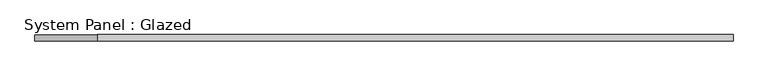
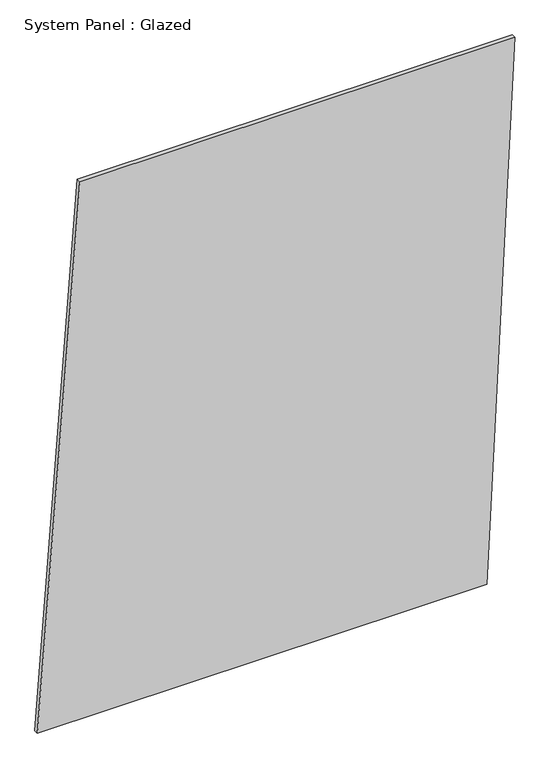
"""IFC4 building model written with IfcOpenShell, lengths in millimetres: plate geometry, System Panel : Glazed."""

from ifc_helpers import new_model, si_unit, frame, origin, place, context, project, spatial, polyline, outline, extrude, source, transform, mapped, element, save


def system_panel_glazed_c8aec13d(model_context):
    return source(origin(), model_context, "Body", "SweptSolid", [
        extrude(outline(polyline([(0.0, -1405.7684988), (0.0, 1238.8570246), (3341.5508959, 1405.7684988), (3341.5508959, -1155.4012875), (0.0, -1405.7684988)])), frame((0.0, -49.5, 0.0), z_axis=(0.0, 1.0, 0.0), x_axis=(0.0, 0.0, 1.0)), (0.0, 0.0, 1.0), 25.0),
    ])


if __name__ == "__main__":
    model = new_model("IFC4")
    model_context = context("Model", 3, world=origin())
    ifc_project = project(units=[si_unit("LENGTHUNIT", "METRE", prefix="MILLI")], contexts=[model_context])
    site = spatial("IfcSite", under=ifc_project)
    building = spatial("IfcBuilding", under=site)
    placement = place(None, origin())
    system_panel_glazed_shape = system_panel_glazed_c8aec13d(model_context)
    element("IfcPlate", 1, ObjectType="System Panel : Glazed", at=placement, inside=building, context=model_context, shape_type="MappedRepresentation", body=[
        mapped(system_panel_glazed_shape, transform((0.0, 0.0, 0.0), x_axis=(1.0, 0.0, 0.0), y_axis=(0.0, 1.0, 0.0), z_axis=(0.0, 0.0, 1.0))),
    ])
    save(model, "model.ifc")
